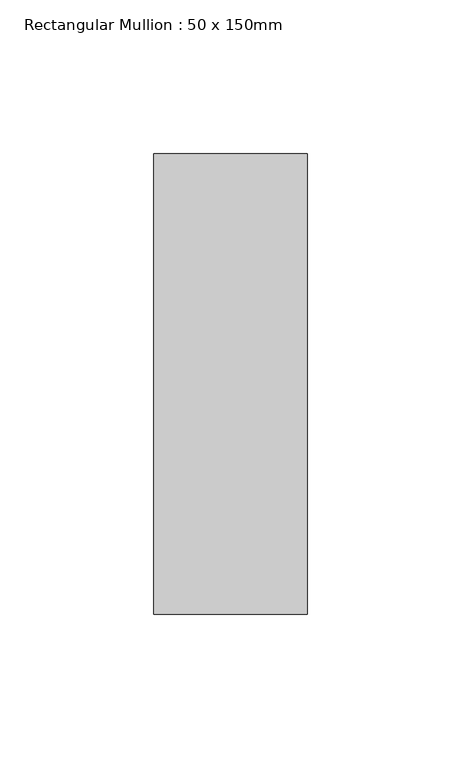
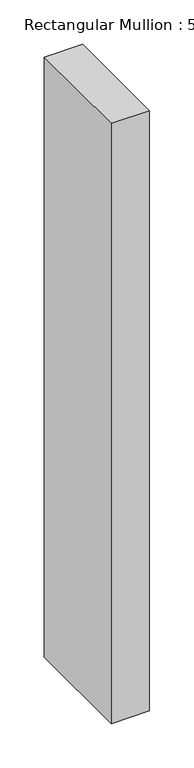
"""IFC4 building model written with IfcOpenShell, lengths in millimetres: member geometry, Rectangular Mullion : 50 x 150mm."""

from ifc_helpers import new_model, si_unit, frame, origin, place, context, project, spatial, polyline, outline, extrude, source, transform, mapped, element, save


def rectangular_mullion_50_x_150mm_9c26cac3(model_context):
    return source(origin(), model_context, "Body", "SweptSolid", [
        extrude(outline(polyline([(25.0, 75.0), (25.0, -75.0), (-25.0, -75.0), (-25.0, 75.0), (25.0, 75.0)])), frame((0.0, 0.0, -825.0), z_axis=(0.0, 0.0, 1.0), x_axis=(1.0, 0.0, 0.0)), (0.0, 0.0, 1.0), 825.0),
    ])


if __name__ == "__main__":
    model = new_model("IFC4")
    model_context = context("Model", 3, world=origin())
    ifc_project = project(units=[si_unit("LENGTHUNIT", "METRE", prefix="MILLI")], contexts=[model_context])
    site = spatial("IfcSite", under=ifc_project)
    building = spatial("IfcBuilding", under=site)
    placement = place(None, origin())
    rectangular_mullion_50_x_150mm_shape = rectangular_mullion_50_x_150mm_9c26cac3(model_context)
    element("IfcMember", 1, ObjectType="Rectangular Mullion : 50 x 150mm", at=placement, inside=building, context=model_context, shape_type="MappedRepresentation", body=[
        mapped(rectangular_mullion_50_x_150mm_shape, transform((0.0, 0.0, 0.0), x_axis=(1.0, 0.0, 0.0), y_axis=(0.0, 1.0, 0.0), z_axis=(0.0, 0.0, 1.0))),
    ])
    save(model, "model.ifc")
